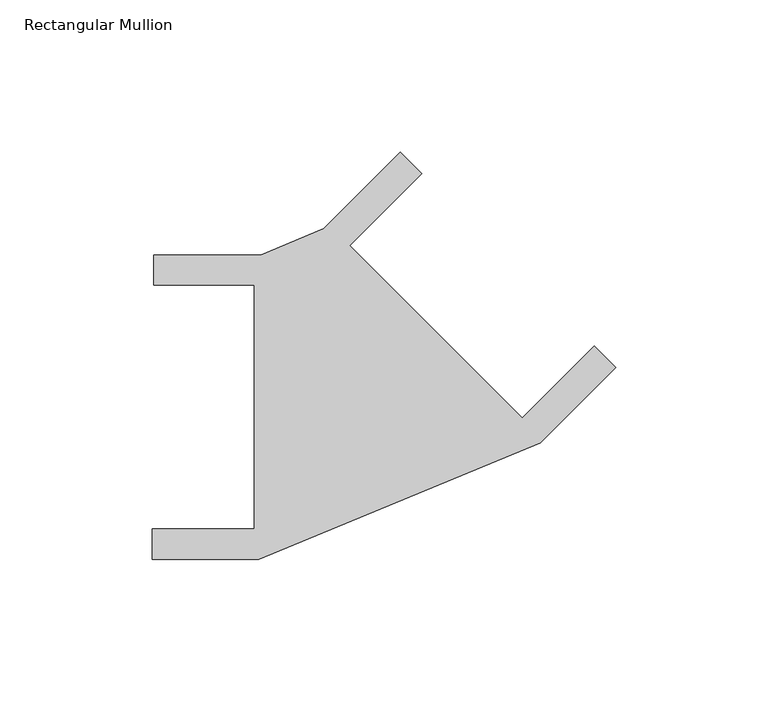
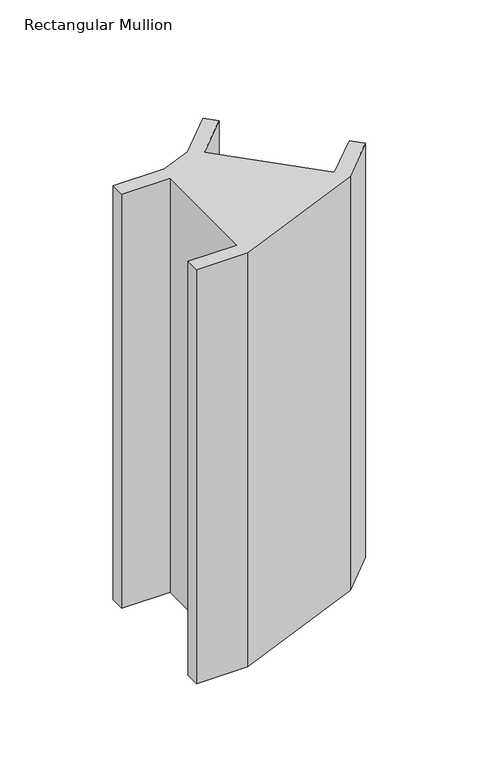
"""IFC4 building model written with IfcOpenShell, lengths in millimetres: member geometry, Rectangular Mullion."""

from ifc_helpers import new_model, si_unit, frame, origin, place, context, project, spatial, polyline, outline, extrude, source, transform, mapped, element, save


def rectangular_mullion_f22f2a2d(model_context):
    return source(origin(), model_context, "Body", "SweptSolid", [
        extrude(outline(polyline([(-151.604987, 50.0), (-116.604987, 50.0), (-95.8353867, 58.6030501), (-70.7106781, 83.7277587), (-63.6396103, 76.6566909), (-87.3276875, 52.9686137), (-30.759145, -3.5999288), (-7.0710678, 20.0881484), (0.0, 13.0170806), (-24.7487373, -11.7316568), (-117.1366906, -50.0), (-152.1366906, -50.0), (-152.1366906, -40.0), (-118.604987, -40.0), (-118.604987, 40.0), (-151.604987, 40.0), (-151.604987, 50.0)])), frame((0.0, 0.0, -300.0), z_axis=(0.0, 0.0, 1.0), x_axis=(1.0, 0.0, 0.0)), (0.0, 0.0, 1.0), 300.0),
    ])


if __name__ == "__main__":
    model = new_model("IFC4")
    model_context = context("Model", 3, world=origin())
    ifc_project = project(units=[si_unit("LENGTHUNIT", "METRE", prefix="MILLI")], contexts=[model_context])
    site = spatial("IfcSite", under=ifc_project)
    building = spatial("IfcBuilding", under=site)
    placement = place(None, origin())
    rectangular_mullion_shape = rectangular_mullion_f22f2a2d(model_context)
    element("IfcMember", 1, ObjectType="Rectangular Mullion", at=placement, inside=building, context=model_context, shape_type="MappedRepresentation", body=[
        mapped(rectangular_mullion_shape, transform((0.0, 0.0, 0.0), x_axis=(1.0, 0.0, 0.0), y_axis=(0.0, 1.0, 0.0), z_axis=(0.0, 0.0, 1.0))),
    ])
    save(model, "model.ifc")
